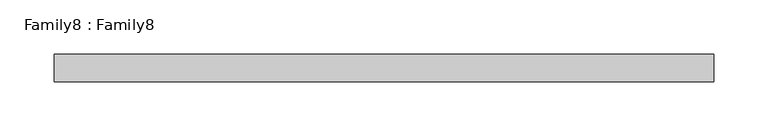
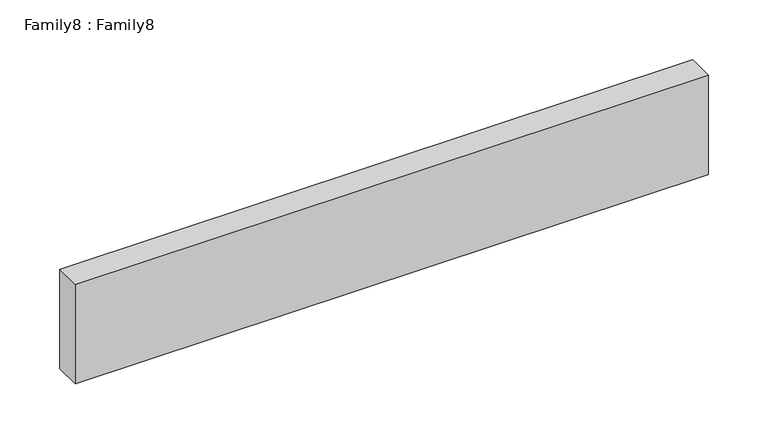
"""IFC4 building model written with IfcOpenShell, lengths in millimetres: proxy geometry, Family8 : Family8."""

from ifc_helpers import new_model, si_unit, origin, origin_with_axes, place, context, project, spatial, polyline, outline, extrude, source, transform, mapped, element, save


def family8_family8_2c3ce30f(model_context):
    return source(origin(), model_context, "Body", "SweptSolid", [
        extrude(outline(polyline([(609.6, 0.0), (0.0, 0.0), (0.0, 25.4), (609.6, 25.4), (609.6, 0.0)])), origin_with_axes(), (0.0, 0.0, 1.0), 101.6),
    ])


if __name__ == "__main__":
    model = new_model("IFC4")
    model_context = context("Model", 3, world=origin())
    ifc_project = project(units=[si_unit("LENGTHUNIT", "METRE", prefix="MILLI")], contexts=[model_context])
    site = spatial("IfcSite", under=ifc_project)
    building = spatial("IfcBuilding", under=site)
    placement = place(None, origin())
    family8_family8_shape = family8_family8_2c3ce30f(model_context)
    element("IfcBuildingElementProxy", 1, Name="Family8 : Family8", ObjectType="Family8 : Family8", at=placement, inside=building, context=model_context, shape_type="MappedRepresentation", body=[
        mapped(family8_family8_shape, transform((0.0, 0.0, 0.0), x_axis=(1.0, 0.0, 0.0), y_axis=(0.0, 1.0, 0.0), z_axis=(0.0, 0.0, 1.0))),
    ])
    save(model, "model.ifc")
